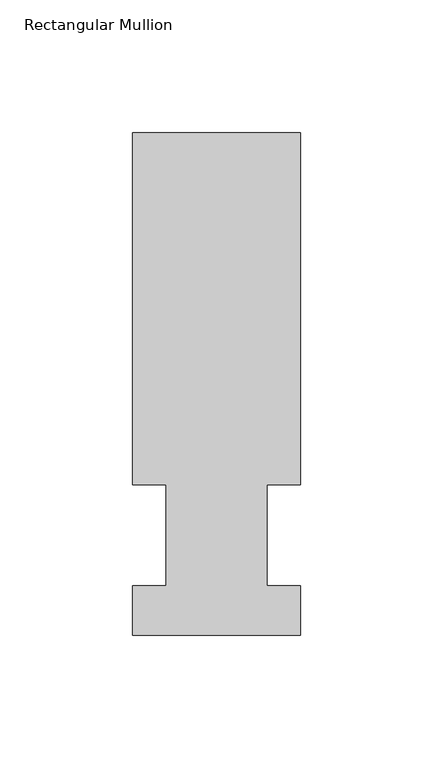
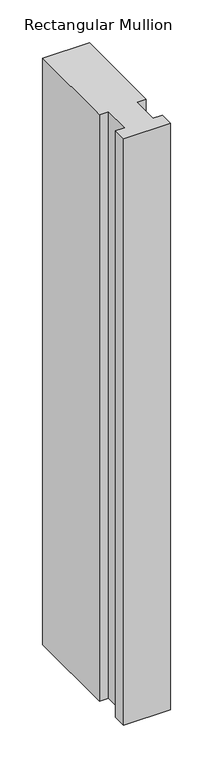
"""IFC4 building model written with IfcOpenShell, lengths in millimetres: member geometry, Rectangular Mullion."""

from ifc_helpers import new_model, si_unit, frame, origin, place, context, project, spatial, polyline, outline, extrude, source, transform, mapped, element, save


def rectangular_mullion_01fc9aff(model_context):
    return source(origin(), model_context, "Body", "SweptSolid", [
        extrude(outline(polyline([(-31.75, 189.5975063), (31.75, 189.5975063), (31.75, 56.6539063), (19.05, 56.6539063), (19.05, 18.5539063), (31.75, 18.5539063), (31.75, 0.0119062), (-31.75, 0.0119062), (-31.75, 18.5539063), (-19.05, 18.5539063), (-19.05, 56.6539063), (-31.75, 56.6539063), (-31.75, 189.5975063)])), frame((0.0, 0.0, -838.2), z_axis=(0.0, 0.0, 1.0), x_axis=(1.0, 0.0, 0.0)), (0.0, 0.0, 1.0), 838.2),
    ])


if __name__ == "__main__":
    model = new_model("IFC4")
    model_context = context("Model", 3, world=origin())
    ifc_project = project(units=[si_unit("LENGTHUNIT", "METRE", prefix="MILLI")], contexts=[model_context])
    site = spatial("IfcSite", under=ifc_project)
    building = spatial("IfcBuilding", under=site)
    placement = place(None, origin())
    rectangular_mullion_shape = rectangular_mullion_01fc9aff(model_context)
    element("IfcMember", 1, ObjectType="Rectangular Mullion", at=placement, inside=building, context=model_context, shape_type="MappedRepresentation", body=[
        mapped(rectangular_mullion_shape, transform((0.0, 0.0, 0.0), x_axis=(1.0, 0.0, 0.0), y_axis=(0.0, 1.0, 0.0), z_axis=(0.0, 0.0, 1.0))),
    ])
    save(model, "model.ifc")
